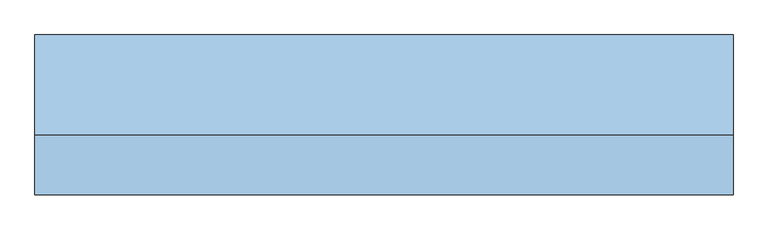
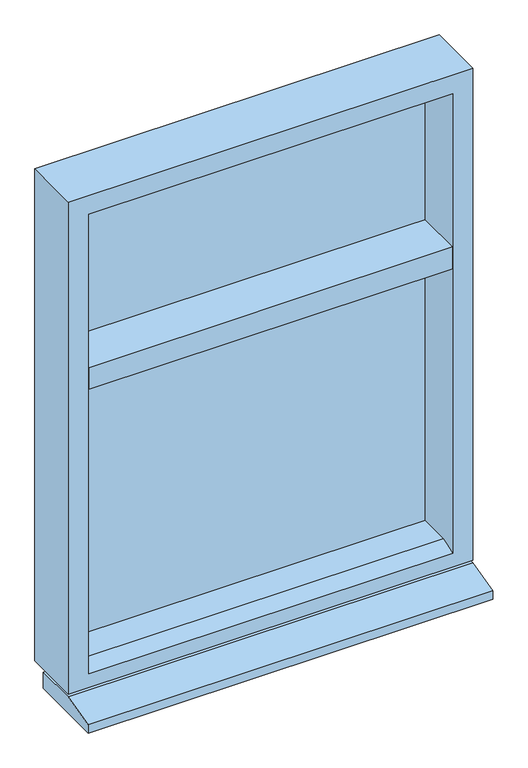
"""IFC4 building model written with IfcOpenShell, lengths in millimetres: window geometry."""

from ifc_helpers import new_model, si_unit, frame, origin, place, context, project, spatial, polyline, outline, extrude, faceted_brep, source, transform, mapped, element, save


def window_a1d3f74f(model_context):
    return source(origin(), model_context, "Body", "SolidModel", [
        faceted_brep([(700.0, -149.5, 800.0), (-700.0, -149.5, 800.0), (-700.0, 50.5, 800.0), (700.0, 50.5, 800.0), (700.0, 50.5, 2600.0), (700.0, -149.5, 2600.0), (-700.0, 50.5, 2600.0), (630.0, 50.5, 2530.0), (-630.0, 50.5, 2530.0), (-630.0, 50.5, 870.0), (630.0, 50.5, 870.0), (-700.0, -149.5, 2600.0), (-630.0, -149.5, 2530.0), (630.0, -149.5, 2530.0), (630.0, -149.5, 850.0), (-630.0, -149.5, 850.0), (-630.0, -94.5, 870.0), (630.0, -94.5, 870.0)], [[[0, 1, 2, 3]], [[4, 5, 0, 3]], [[2, 6, 4, 3], [7, 8, 9, 10]], [[2, 1, 11, 6]], [[0, 5, 11, 1], [12, 13, 14, 15]], [[12, 15, 16, 9, 8]], [[14, 17, 16, 15]], [[7, 10, 17, 14, 13]], [[9, 16, 17, 10]], [[12, 8, 7, 13]], [[5, 4, 6, 11]]]),
        extrude(outline(polyline([(630.0, 15.0), (-630.0, 15.0), (-630.0, 25.0), (630.0, 25.0), (630.0, 15.0)])), frame((0.0, 0.0, 870.0), z_axis=(0.0, 0.0, 1.0), x_axis=(1.0, 0.0, 0.0)), (0.0, 0.0, 1.0), 1030.0),
        extrude(outline(polyline([(630.0, -149.5), (-630.0, -149.5), (-630.0, 50.5), (630.0, 50.5), (630.0, -149.5)])), frame((0.0, 0.0, 1890.0), z_axis=(0.0, 0.0, 1.0), x_axis=(1.0, 0.0, 0.0)), (0.0, 0.0, 1.0), 80.0),
        extrude(outline(polyline([(-149.5, 790.0), (0.0, 790.0), (0.0, 730.0), (-269.5, 730.0), (-269.5, 760.0), (-149.5, 790.0)])), frame((-700.0, 0.0, 0.0), z_axis=(1.0, 0.0, 0.0), x_axis=(0.0, 1.0, 0.0)), (0.0, 0.0, 1.0), 1400.0),
        extrude(outline(polyline([(630.0, 15.0), (-630.0, 15.0), (-630.0, 25.0), (630.0, 25.0), (630.0, 15.0)])), frame((0.0, 0.0, 1960.0), z_axis=(0.0, 0.0, 1.0), x_axis=(1.0, 0.0, 0.0)), (0.0, 0.0, 1.0), 575.0),
    ])


if __name__ == "__main__":
    model = new_model("IFC4")
    model_context = context("Model", 3, world=origin())
    ifc_project = project(units=[si_unit("LENGTHUNIT", "METRE", prefix="MILLI")], contexts=[model_context])
    site = spatial("IfcSite", under=ifc_project)
    building = spatial("IfcBuilding", under=site)
    placement = place(None, origin())
    window_shape = window_a1d3f74f(model_context)
    element("IfcWindow", 1, at=placement, inside=building, context=model_context, shape_type="MappedRepresentation", body=[
        mapped(window_shape, transform((0.0, 0.0, 0.0), x_axis=(1.0, 0.0, 0.0), y_axis=(0.0, 1.0, 0.0), z_axis=(0.0, 0.0, 1.0))),
    ])
    save(model, "model.ifc")
